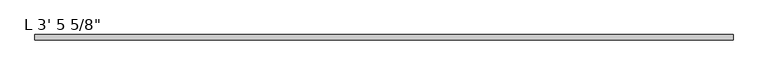
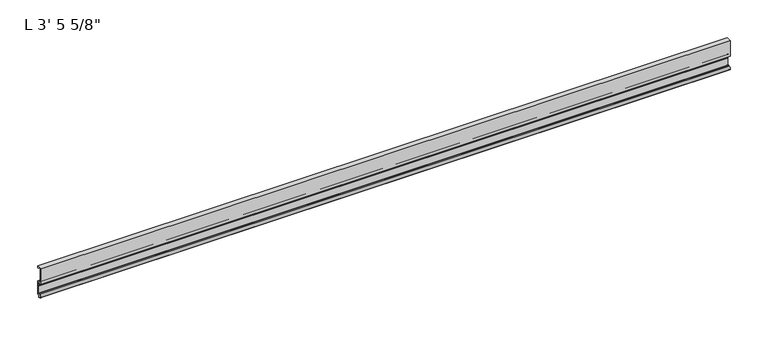
"""IFC4 building model written with IfcOpenShell, lengths in millimetres: proxy geometry."""

import ifcopenshell
import ifcopenshell.guid

model = None  # the IFC model being written
_history = None  # IfcOwnerHistory: only IFC2X3 demands one
_inside = {}  # id of a spatial element -> (the spatial element, [elements in it])
_under = {}  # id of a project, library or spatial element -> (it, [spatial elements below it])
_declared = {}  # id of a project -> (the project, [libraries it declares])
_typed = {}  # id of a type object -> (the type object, [elements of that type])
_made_of = {}  # id of a material, layer set ... -> (it, [elements and type objects made of it])


def new_model(schema):
    """Start an empty IFC model of exactly this schema.

    Asked for "IFC4X3", IfcOpenShell would pick the latest addendum, in which some entities
    have other attributes; the version numbers below select the first issue.
    IFC2X3 requires an IfcOwnerHistory on every rooted entity: one is made here for all.
    """
    global model, _history
    if schema == "IFC4X3":
        model = ifcopenshell.file(schema_version=(4, 3, 0, 0))
    else:
        model = ifcopenshell.file(schema=schema)
    _inside.clear()
    _under.clear()
    _declared.clear()
    _typed.clear()
    _made_of.clear()
    _history = None
    if model.schema == "IFC2X3":
        org = make("IfcOrganization", Name="unknown")
        user = make(
            "IfcPersonAndOrganization",
            ThePerson=make("IfcPerson", FamilyName="unknown"),
            TheOrganization=org,
        )
        app = make(
            "IfcApplication",
            ApplicationDeveloper=org,
            Version="unknown",
            ApplicationFullName="unknown",
            ApplicationIdentifier="unknown",
        )
        _history = make(
            "IfcOwnerHistory",
            OwningUser=user,
            OwningApplication=app,
            ChangeAction="ADDED",
            CreationDate=0,
        )
    return model


def make(cls, **values):
    """One entity of the class cls with the attributes given. An attribute that is None is left unset."""
    return model.create_entity(
        cls, **{name: value for name, value in values.items() if value is not None}
    )


def rooted(cls, **values):
    """An entity with a GlobalId (a new one), such as an element, a storey or a relation."""
    return make(cls, GlobalId=ifcopenshell.guid.new(), OwnerHistory=_history, **values)


def si_unit(unit_type, name, prefix=None):
    """IfcSIUnit, for example si_unit("LENGTHUNIT", "METRE", prefix="MILLI")."""
    return make("IfcSIUnit", UnitType=unit_type, Prefix=prefix, Name=name)


def assignment(units):
    """IfcUnitAssignment: the units of a project."""
    return None if units is None else make("IfcUnitAssignment", Units=units)


def point(xyz):
    """IfcCartesianPoint."""
    return None if xyz is None else make("IfcCartesianPoint", Coordinates=xyz)


def direction(xyz):
    """IfcDirection."""
    return None if xyz is None else make("IfcDirection", DirectionRatios=xyz)


def frame(location, z_axis=None, x_axis=None):
    """IfcAxis2Placement3D, a coordinate frame: its origin and axes. An axis left out is left unset."""
    return make(
        "IfcAxis2Placement3D",
        Location=point(location),
        Axis=direction(z_axis),
        RefDirection=direction(x_axis),
    )


def frame_2d(location, x_axis=None):
    """IfcAxis2Placement2D, a coordinate frame in the plane: its origin and x axis."""
    return make(
        "IfcAxis2Placement2D", Location=point(location), RefDirection=direction(x_axis)
    )


def origin():
    """The frame at (0, 0, 0) with its axes left unset."""
    return frame((0.0, 0.0, 0.0))


def place(relative_to, where):
    """IfcLocalPlacement: puts the frame where relative to a parent placement (None: the world)."""
    return make(
        "IfcLocalPlacement", PlacementRelTo=relative_to, RelativePlacement=where
    )


def context(
    kind, dimensions, precision=None, world=None, true_north=None, identifier=None
):
    """IfcGeometricRepresentationContext, for example the 3D "Model" context."""
    return make(
        "IfcGeometricRepresentationContext",
        ContextIdentifier=identifier,
        ContextType=kind,
        CoordinateSpaceDimension=dimensions,
        Precision=precision,
        WorldCoordinateSystem=world,
        TrueNorth=true_north,
    )


def project(units=None, contexts=None):
    """IfcProject with its units and contexts."""
    return rooted(
        "IfcProject",
        Name="project",
        RepresentationContexts=contexts,
        UnitsInContext=assignment(units),
    )


def spatial(cls, under=None, at=None, **own):
    """A site, building, storey or space (cls), placed at a placement, below another one or the project."""
    s = rooted(cls, ObjectPlacement=at, **own)
    if under is not None:
        _under.setdefault(under.id(), (under, []))[1].append(s)
    return s


def polyline(points):
    """IfcPolyline through the points."""
    return make("IfcPolyline", Points=[point(p) for p in points])


def circle_curve(where, radius):
    """IfcCircle in the frame where."""
    return make("IfcCircle", Position=where, Radius=radius)


def trimmed(basis, trim1, trim2, sense, master):
    """IfcTrimmedCurve: the piece of a basis curve between two trims."""
    return make(
        "IfcTrimmedCurve",
        BasisCurve=basis,
        Trim1=trim1,
        Trim2=trim2,
        SenseAgreement=sense,
        MasterRepresentation=master,
    )


def segment(curve, same_sense, transition):
    """IfcCompositeCurveSegment."""
    return make(
        "IfcCompositeCurveSegment",
        Transition=transition,
        SameSense=same_sense,
        ParentCurve=curve,
    )


def composite_curve(segments, self_intersect=None):
    """IfcCompositeCurve: segments joined end to end."""
    return make("IfcCompositeCurve", Segments=segments, SelfIntersect=self_intersect)


def outline(outer, holes=None, kind="AREA"):
    """IfcArbitraryClosedProfileDef: a profile drawn as a closed curve; with holes, ...WithVoids."""
    if holes is None:
        return make("IfcArbitraryClosedProfileDef", ProfileType=kind, OuterCurve=outer)
    return make(
        "IfcArbitraryProfileDefWithVoids",
        ProfileType=kind,
        OuterCurve=outer,
        InnerCurves=holes,
    )


def extrude(swept, where, along, depth):
    """IfcExtrudedAreaSolid: the profile swept, set in the frame where, extruded along a direction by depth."""
    return make(
        "IfcExtrudedAreaSolid",
        SweptArea=swept,
        Position=where,
        ExtrudedDirection=direction(along),
        Depth=depth,
    )


def shape(context_of_items, identifier, shape_type, items):
    """IfcShapeRepresentation: the items that make up one representation, for example the "Body"."""
    return make(
        "IfcShapeRepresentation",
        ContextOfItems=context_of_items,
        RepresentationIdentifier=identifier,
        RepresentationType=shape_type,
        Items=items,
    )


def source(mapping_origin, context_of_items, identifier, shape_type, items):
    """IfcRepresentationMap: a shape defined once, which mapped items show again and again."""
    return make(
        "IfcRepresentationMap",
        MappingOrigin=mapping_origin,
        MappedRepresentation=shape(context_of_items, identifier, shape_type, items),
    )


def transform(
    local_origin,
    x_axis=None,
    y_axis=None,
    z_axis=None,
    scale=None,
    scale2=None,
    scale3=None,
    uniform=True,
):
    """IfcCartesianTransformationOperator3D, or its non-uniform kind. x_axis, y_axis, z_axis: its Axis1, 2, 3."""
    if uniform:
        return make(
            "IfcCartesianTransformationOperator3D",
            Axis1=direction(x_axis),
            Axis2=direction(y_axis),
            LocalOrigin=point(local_origin),
            Scale=scale,
            Axis3=direction(z_axis),
        )
    return make(
        "IfcCartesianTransformationOperator3DnonUniform",
        Axis1=direction(x_axis),
        Axis2=direction(y_axis),
        LocalOrigin=point(local_origin),
        Scale=scale,
        Axis3=direction(z_axis),
        Scale2=scale2,
        Scale3=scale3,
    )


def mapped(mapping_source, mapping_target):
    """IfcMappedItem: shows the shape of a source again, moved by a transform."""
    return make(
        "IfcMappedItem", MappingSource=mapping_source, MappingTarget=mapping_target
    )


def made_of(thing, what):
    """Note that an element or type object is made of a material, layer set ...; save() writes the relation."""
    if what is not None:
        _made_of.setdefault(what.id(), (what, []))[1].append(thing)
    return thing


def element(
    cls,
    number,
    at=None,
    inside=None,
    cuts=None,
    type_object=None,
    material=None,
    context=None,
    identifier="Body",
    shape_type=None,
    held_by="IfcProductDefinitionShape",
    body=None,
    shapes=None,
    **own,
):
    """One element of the class cls, such as IfcWall. Its Tag is "e" and its number.

    at: its placement. inside: the storey or other place that contains it. cuts: it is an
    opening in that element (IfcRelVoidsElement). A single representation is given by context,
    identifier, shape_type and body (its items); several are given by shapes. held_by: the class
    of the entity that holds the representations. save() writes the other relations.
    """
    e = rooted(cls, Tag="e%d" % number, ObjectPlacement=at, **own)
    if body is not None:
        shapes = [shape(context, identifier, shape_type, body)]
    if shapes is not None:
        e.Representation = make(held_by, Representations=shapes)
    if inside is not None:
        _inside.setdefault(inside.id(), (inside, []))[1].append(e)
    if cuts is not None:
        rooted(
            "IfcRelVoidsElement", RelatingBuildingElement=cuts, RelatedOpeningElement=e
        )
    if type_object is not None:
        _typed.setdefault(type_object.id(), (type_object, []))[1].append(e)
    return made_of(e, material)


def aggregate(whole, parts):
    """IfcRelAggregates: a whole, such as a stair, and the parts it consists of."""
    return rooted("IfcRelAggregates", RelatingObject=whole, RelatedObjects=parts)


def save(model, path):
    """Write the relations noted so far, then the file.

    IfcRelAggregates (storeys below a building ...), IfcRelContainedInSpatialStructure (elements
    in a storey), IfcRelDefinesByType, IfcRelAssociatesMaterial and IfcRelDeclares: one each for
    every whole, place, type object, material and project.
    """
    for whole, parts in _under.values():
        aggregate(whole, parts)
    for where, things in _inside.values():
        rooted(
            "IfcRelContainedInSpatialStructure",
            RelatedElements=things,
            RelatingStructure=where,
        )
    for kind, things in _typed.values():
        rooted("IfcRelDefinesByType", RelatedObjects=things, RelatingType=kind)
    for what, things in _made_of.values():
        rooted("IfcRelAssociatesMaterial", RelatedObjects=things, RelatingMaterial=what)
    for by, libraries in _declared.values():
        rooted("IfcRelDeclares", RelatingContext=by, RelatedDefinitions=libraries)
    model.write(path)


def proxy_15bef442(model_context):
    return source(origin(), model_context, "Body", "SweptSolid", [
        extrude(outline(composite_curve([segment(trimmed(circle_curve(frame_2d((14.5481808, -29.2063136)), 3.048), [point((13.6400687, -32.1158903))], [point((11.9462301, -30.7938136))], False, "CARTESIAN"), True, "CONTINUOUS"), segment(trimmed(circle_curve(frame_2d((14.5481808, -29.2063136)), 3.048), [point((11.9462301, -30.7938136))], [point((13.6400687, -26.2967369))], False, "CARTESIAN"), True, "CONTINUOUS"), segment(polyline([(13.6400687, -26.2967369), (15.4364113, -25.7360779)]), True, "CONTINUOUS"), segment(trimmed(circle_curve(frame_2d((15.6245238, -26.2747792)), 0.5706009), [point((15.4364113, -25.7360779))], [point((16.1779173, -26.4138515))], False, "CARTESIAN"), True, "CONTINUOUS"), segment(trimmed(circle_curve(frame_2d((16.9169378, -26.5995734)), 0.762), [point((16.1779173, -26.4138515))], [point((16.9376166, -27.3612928))], True, "CARTESIAN"), True, "CONTINUOUS"), segment(trimmed(circle_curve(frame_2d((16.9545, -26.8535734)), 0.508), [point((16.9376166, -27.3612928))], [point((17.4625, -26.8535734))], True, "CARTESIAN"), True, "CONTINUOUS"), segment(polyline([(17.4625, -26.8535734), (17.4625, -15.6659614), (17.9716639, -14.7485418), (17.9716639, -13.408381), (17.4625, -12.4909614), (17.4625, -10.1123329)]), True, "CONTINUOUS"), segment(trimmed(circle_curve(frame_2d((15.875, -10.1123329)), 1.5875), [point((17.4625, -10.1123329))], [point((15.875, -8.5248329))], True, "CARTESIAN"), True, "CONTINUOUS"), segment(polyline([(15.875, -8.5248329), (11.1125, -8.5248329), (11.1125, 16.8792515), (19.05, 16.8792515), (19.05, 13.7042515), (17.4625, 13.7042515), (17.4625, 15.2917515), (12.7, 15.2917515), (12.7, -6.9145734), (17.4625, -6.9145734)]), True, "CONTINUOUS"), segment(trimmed(circle_curve(frame_2d((17.4625, -8.5020734)), 1.5875), [point((17.4625, -6.9145734))], [point((19.05, -8.5020734))], False, "CARTESIAN"), True, "CONTINUOUS"), segment(polyline([(19.05, -8.5020734), (19.05, -29.1395734), (17.7424378, -29.1395734)]), True, "CONTINUOUS"), segment(trimmed(circle_curve(frame_2d((17.7424378, -30.7270734)), 1.5875), [point((17.7424378, -29.1395734))], [point((16.1549378, -30.7270734))], True, "CARTESIAN"), True, "CONTINUOUS"), segment(polyline([(16.1549378, -30.7270734), (16.1549378, -32.2686835)]), True, "CONTINUOUS"), segment(trimmed(circle_curve(frame_2d((15.6853088, -32.2686835)), 0.4696291), [point((16.1549378, -32.2686835))], [point((15.4750158, -32.6885982))], False, "CARTESIAN"), True, "CONTINUOUS"), segment(polyline([(15.4750158, -32.6885982), (13.6400687, -32.1158903)]), True, "CONTINUOUS")], self_intersect=False)), frame((-752.475, 0.0, 0.0), z_axis=(1.0, 0.0, 0.0), x_axis=(0.0, 1.0, 0.0)), (0.0, 0.0, 1.0), 1057.275),
    ])


if __name__ == "__main__":
    model = new_model("IFC4")
    model_context = context("Model", 3, world=origin())
    ifc_project = project(units=[si_unit("LENGTHUNIT", "METRE", prefix="MILLI")], contexts=[model_context])
    site = spatial("IfcSite", under=ifc_project)
    building = spatial("IfcBuilding", under=site)
    placement = place(None, origin())
    proxy_shape = proxy_15bef442(model_context)
    element("IfcBuildingElementProxy", 1, Name="L 3' 5 5/8\"", ObjectType="L 3' 5 5/8\"", at=placement, inside=building, context=model_context, shape_type="MappedRepresentation", body=[
        mapped(proxy_shape, transform((0.0, 0.0, 0.0), x_axis=(1.0, 0.0, 0.0), y_axis=(0.0, 1.0, 0.0), z_axis=(0.0, 0.0, 1.0))),
    ])
    save(model, "model.ifc")
